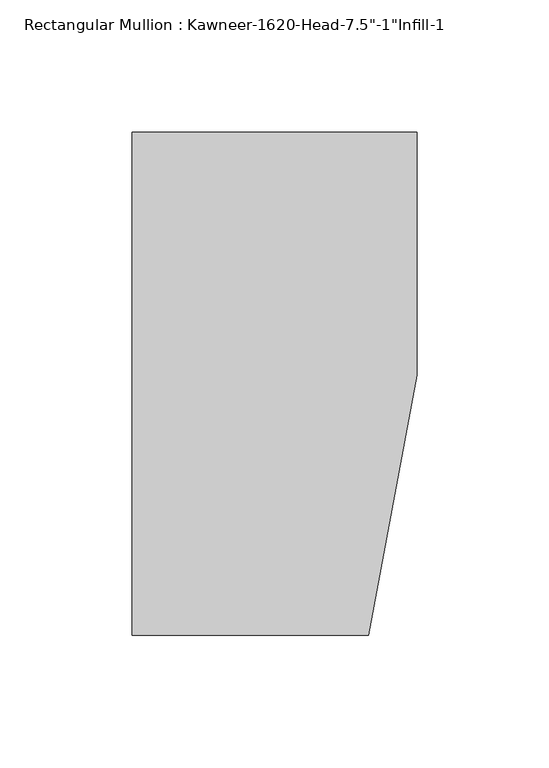
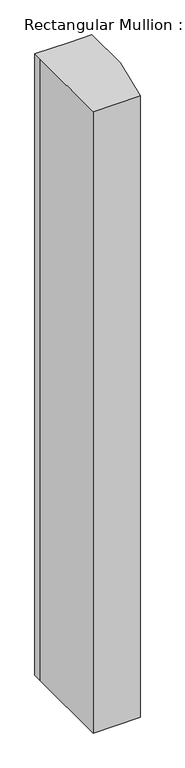
"""IFC4 building model written with IfcOpenShell, lengths in millimetres: member geometry."""

from ifc_helpers import new_model, si_unit, frame, origin, place, context, project, spatial, polyline, outline, extrude, source, transform, mapped, element, save


def member_b74c9380(model_context):
    return source(origin(), model_context, "Body", "SweptSolid", [
        extrude(outline(polyline([(-107.95, 19.9095466), (-107.95, 38.1), (-44.1519366, 38.1), (0.0, 38.1), (0.0, -53.975), (-18.3538271, -152.4), (-107.95, -152.4), (-107.95, 19.9095466)])), frame((0.0, 0.0, -1244.1045152), z_axis=(0.0, 0.0, 1.0), x_axis=(1.0, 0.0, 0.0)), (0.0, 0.0, 1.0), 1244.1045152),
    ])


if __name__ == "__main__":
    model = new_model("IFC4")
    model_context = context("Model", 3, world=origin())
    ifc_project = project(units=[si_unit("LENGTHUNIT", "METRE", prefix="MILLI")], contexts=[model_context])
    site = spatial("IfcSite", under=ifc_project)
    building = spatial("IfcBuilding", under=site)
    placement = place(None, origin())
    member_shape = member_b74c9380(model_context)
    element("IfcMember", 1, ObjectType="Rectangular Mullion : Kawneer-1620-Head-7.5\"-1\"Infill-1", at=placement, inside=building, context=model_context, shape_type="MappedRepresentation", body=[
        mapped(member_shape, transform((0.0, 0.0, 0.0), x_axis=(1.0, 0.0, 0.0), y_axis=(0.0, 1.0, 0.0), z_axis=(0.0, 0.0, 1.0))),
    ])
    save(model, "model.ifc")
